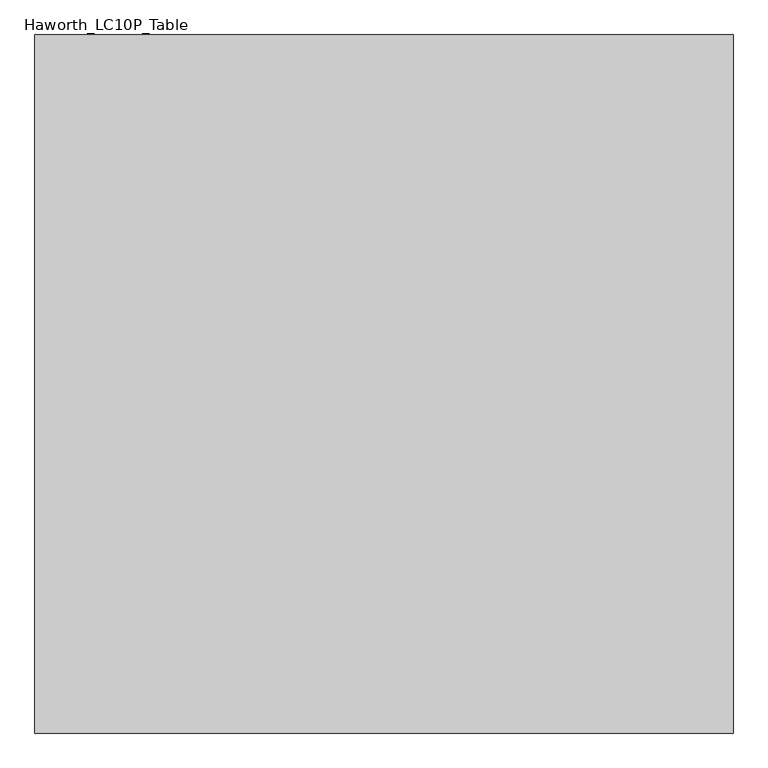
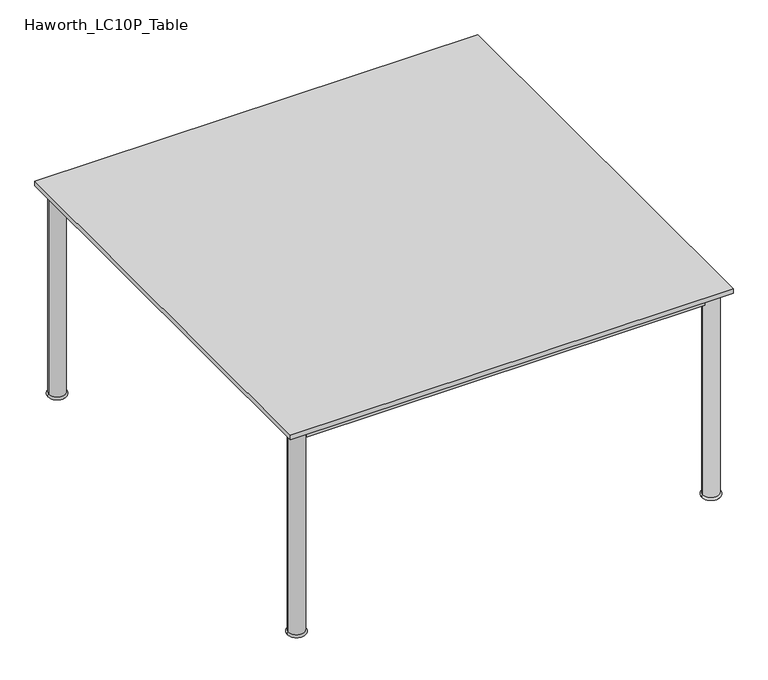
"""IFC4 building model written with IfcOpenShell, lengths in millimetres: furniture geometry, Haworth_LC10P_Table."""

from ifc_helpers import new_model, si_unit, point, frame, origin, place, context, project, spatial, polyline, circle_curve, ellipse_curve, trimmed, outline, extrude, source, transform, mapped, element, save
from ifc_brep_helpers import plane_surface, cylinder_surface, revolved_surface, advanced_brep


def haworth_lc10p_table_8cb492dd(model_context):
    return source(origin(), model_context, "Body", "SolidModel", [
        extrude(outline(polyline([(628.65, -648.5549408), (628.65, -667.6049408), (-628.65, -667.6049408), (-628.65, -648.5549408), (628.65, -648.5549408)])), frame((0.0, 0.0, 646.1125), z_axis=(0.0, 0.0, 1.0), x_axis=(1.0, 0.0, 0.0)), (0.0, 0.0, 1.0), 33.3375),
        extrude(outline(polyline([(628.65, 659.5450592), (628.65, 640.4950592), (-628.65, 640.4950592), (-628.65, 659.5450592), (628.65, 659.5450592)])), frame((0.0, 0.0, 646.1125), z_axis=(0.0, 0.0, 1.0), x_axis=(1.0, 0.0, 0.0)), (0.0, 0.0, 1.0), 33.3375),
        extrude(outline(polyline([(-644.525, 624.6200592), (-644.525, -632.6799408), (-663.575, -632.6799408), (-663.575, 624.6200592), (-644.525, 624.6200592)])), frame((0.0, 0.0, 646.1125), z_axis=(0.0, 0.0, 1.0), x_axis=(1.0, 0.0, 0.0)), (0.0, 0.0, 1.0), 33.3375),
        extrude(outline(polyline([(663.575, 624.6200592), (663.575, -632.6799408), (644.525, -632.6799408), (644.525, 624.6200592), (663.575, 624.6200592)])), frame((0.0, 0.0, 646.1125), z_axis=(0.0, 0.0, 1.0), x_axis=(1.0, 0.0, 0.0)), (0.0, 0.0, 1.0), 33.3375),
        advanced_brep(
        [(628.65, 650.0200592, 0.0), (679.45, 650.0200592, 0.0), (679.45, 650.0200592, 7.9375), (628.65, 650.0200592, 7.9375), (679.45, 650.0200592, 679.45), (628.65, 650.0200592, 679.45), (679.45, 650.0200592, 684.2125), (628.65, 650.0200592, 684.2125), (654.05, 650.0200592, 684.2125), (654.05, 650.0200592, 0.0)],
        [
            (0, 1, circle_curve(frame((654.05, 650.0200592, 0.0), z_axis=(0.0, 0.0, 1.0), x_axis=(1.0, 0.0, 0.0)), 25.4)),
            (1, 2, circle_curve(frame((679.45, 650.0200592, 3.96875), z_axis=(0.0, -1.0, 0.0), x_axis=(-1.0, 0.0, 0.0)), 3.96875)),
            (2, 3, circle_curve(frame((654.05, 650.0200592, 7.9375), z_axis=(0.0, 0.0, -1.0), x_axis=(1.0, 0.0, 0.0)), 25.4)),
            (3, 0, circle_curve(frame((628.65, 650.0200592, 3.96875), z_axis=(0.0, -1.0, 0.0), x_axis=(1.0, 0.0, 0.0)), 3.96875)),
            (1, 0, circle_curve(frame((654.05, 650.0200592, 0.0), z_axis=(0.0, 0.0, 1.0), x_axis=(1.0, 0.0, 0.0)), 25.4)),
            (3, 2, circle_curve(frame((654.05, 650.0200592, 7.9375), z_axis=(0.0, 0.0, -1.0), x_axis=(1.0, 0.0, 0.0)), 25.4)),
            (2, 4),
            (4, 5, circle_curve(frame((654.05, 650.0200592, 679.45), z_axis=(0.0, 0.0, -1.0), x_axis=(1.0, 0.0, 0.0)), 25.4)),
            (5, 3),
            (5, 4, circle_curve(frame((654.05, 650.0200592, 679.45), z_axis=(0.0, 0.0, -1.0), x_axis=(1.0, 0.0, 0.0)), 25.4)),
            (4, 6),
            (6, 7, circle_curve(frame((654.05, 650.0200592, 684.2125), z_axis=(0.0, 0.0, -1.0), x_axis=(1.0, 0.0, 0.0)), 25.4)),
            (7, 5),
            (7, 6, circle_curve(frame((654.05, 650.0200592, 684.2125), z_axis=(0.0, 0.0, -1.0), x_axis=(1.0, 0.0, 0.0)), 25.4)),
            (6, 8),
            (8, 7),
            (9, 1),
            (0, 9),
        ],
        [
            revolved_surface(trimmed(ellipse_curve(frame((679.45, 650.0200592, 3.96875), z_axis=(0.0, 1.0, 0.0), x_axis=(-1.0, 0.0, 0.0)), 3.96875, 3.96875), [point((679.45, 650.0200592, 7.9375))], [point((679.45, 650.0200592, 0.0))], True, "CARTESIAN"), (654.05, 650.0200592, 2438.4), (0.0, 0.0, -1.0)),
            cylinder_surface(frame((654.05, 650.0200592, 2438.4), z_axis=(0.0, 0.0, -1.0), x_axis=(1.0, 0.0, 0.0)), 25.4),
            plane_surface(frame((654.05, 650.0200592, 684.2125), z_axis=(0.0, 0.0, 1.0), x_axis=(1.0, 0.0, 0.0))),
            plane_surface(frame((654.05, 650.0200592, 0.0), z_axis=(0.0, 0.0, -1.0), x_axis=(1.0, 0.0, 0.0))),
        ],
        [
            (0, [[1, 2, 3, 4]]),
            (0, [[5, -4, 6, -2]]),
            (1, [[-3, 7, 8, 9]]),
            (1, [[-6, -9, 10, -7]]),
            (1, [[-8, 11, 12, 13]]),
            (1, [[-10, -13, 14, -11]]),
            (2, [[-12, 15, 16]]),
            (2, [[-14, -16, -15]]),
            (3, [[17, -1, 18]]),
            (3, [[-18, -5, -17]]),
        ],
    ),
        advanced_brep(
        [(-628.65, 650.0200592, 7.9375), (-679.45, 650.0200592, 7.9375), (-679.45, 650.0200592, 0.0), (-628.65, 650.0200592, 0.0), (-628.65, 650.0200592, 679.45), (-679.45, 650.0200592, 679.45), (-628.65, 650.0200592, 684.2125), (-679.45, 650.0200592, 684.2125), (-654.05, 650.0200592, 684.2125), (-654.05, 650.0200592, 0.0)],
        [
            (0, 1, circle_curve(frame((-654.05, 650.0200592, 7.9375), z_axis=(0.0, 0.0, -1.0), x_axis=(-1.0, 0.0, 0.0)), 25.4)),
            (1, 2, circle_curve(frame((-679.45, 650.0200592, 3.96875), z_axis=(0.0, -1.0, 0.0), x_axis=(-1.0, 0.0, 0.0)), 3.96875)),
            (2, 3, circle_curve(frame((-654.05, 650.0200592, 0.0), z_axis=(0.0, 0.0, 1.0), x_axis=(-1.0, 0.0, 0.0)), 25.4)),
            (3, 0, circle_curve(frame((-628.65, 650.0200592, 3.96875), z_axis=(0.0, -1.0, 0.0), x_axis=(1.0, 0.0, 0.0)), 3.96875)),
            (1, 0, circle_curve(frame((-654.05, 650.0200592, 7.9375), z_axis=(0.0, 0.0, -1.0), x_axis=(-1.0, 0.0, 0.0)), 25.4)),
            (3, 2, circle_curve(frame((-654.05, 650.0200592, 0.0), z_axis=(0.0, 0.0, 1.0), x_axis=(-1.0, 0.0, 0.0)), 25.4)),
            (4, 5, circle_curve(frame((-654.05, 650.0200592, 679.45), z_axis=(0.0, 0.0, -1.0), x_axis=(-1.0, 0.0, 0.0)), 25.4)),
            (5, 1),
            (0, 4),
            (5, 4, circle_curve(frame((-654.05, 650.0200592, 679.45), z_axis=(0.0, 0.0, -1.0), x_axis=(-1.0, 0.0, 0.0)), 25.4)),
            (6, 7, circle_curve(frame((-654.05, 650.0200592, 684.2125), z_axis=(0.0, 0.0, -1.0), x_axis=(-1.0, 0.0, 0.0)), 25.4)),
            (7, 5),
            (4, 6),
            (7, 6, circle_curve(frame((-654.05, 650.0200592, 684.2125), z_axis=(0.0, 0.0, -1.0), x_axis=(-1.0, 0.0, 0.0)), 25.4)),
            (8, 7),
            (6, 8),
            (2, 9),
            (9, 3),
        ],
        [
            revolved_surface(trimmed(ellipse_curve(frame((-679.45, 650.0200592, 3.96875), z_axis=(0.0, 1.0, 0.0), x_axis=(-1.0, 0.0, 0.0)), 3.96875, 3.96875), [point((-679.45, 650.0200592, 0.0))], [point((-679.45, 650.0200592, 7.9375))], True, "CARTESIAN"), (-654.05, 650.0200592, 2438.4), (0.0, 0.0, 1.0)),
            cylinder_surface(frame((-654.05, 650.0200592, 2438.4), z_axis=(0.0, 0.0, 1.0), x_axis=(-1.0, 0.0, 0.0)), 25.4),
            plane_surface(frame((-654.05, 650.0200592, 684.2125), z_axis=(0.0, 0.0, 1.0), x_axis=(-1.0, 0.0, 0.0))),
            plane_surface(frame((-654.05, 650.0200592, 0.0), z_axis=(0.0, 0.0, -1.0), x_axis=(-1.0, 0.0, 0.0))),
        ],
        [
            (0, [[1, 2, 3, 4]]),
            (0, [[5, -4, 6, -2]]),
            (1, [[7, 8, -1, 9]]),
            (1, [[10, -9, -5, -8]]),
            (1, [[11, 12, -7, 13]]),
            (1, [[14, -13, -10, -12]]),
            (2, [[15, -11, 16]]),
            (2, [[-16, -14, -15]]),
            (3, [[-3, 17, 18]]),
            (3, [[-6, -18, -17]]),
        ],
    ),
        advanced_brep(
        [(628.3957141, -658.0799408, 0.0), (679.7042859, -658.0799408, 0.0), (679.45, -658.0799408, 7.9293453), (628.65, -658.0799408, 7.9293453), (679.45, -658.0799408, 679.45), (628.65, -658.0799408, 679.45), (679.45, -658.0799408, 684.2125), (628.65, -658.0799408, 684.2125), (654.05, -658.0799408, 684.2125), (654.05, -658.0799408, 0.0)],
        [
            (0, 1, circle_curve(frame((654.05, -658.0799408, 0.0), z_axis=(0.0, 0.0, 1.0), x_axis=(1.0, 0.0, 0.0)), 25.6542859)),
            (1, 2, circle_curve(frame((679.7042859, -658.0799408, 3.96875), z_axis=(0.0, -1.0, 0.0), x_axis=(1.0, 0.0, 0.0)), 3.96875)),
            (2, 3, circle_curve(frame((654.05, -658.0799408, 7.9293453), z_axis=(0.0, 0.0, -1.0), x_axis=(1.0, 0.0, 0.0)), 25.4)),
            (3, 0, circle_curve(frame((628.3957141, -658.0799408, 3.96875), z_axis=(0.0, -1.0, 0.0), x_axis=(-1.0, 0.0, 0.0)), 3.96875)),
            (1, 0, circle_curve(frame((654.05, -658.0799408, 0.0), z_axis=(0.0, 0.0, 1.0), x_axis=(1.0, 0.0, 0.0)), 25.6542859)),
            (3, 2, circle_curve(frame((654.05, -658.0799408, 7.9293453), z_axis=(0.0, 0.0, -1.0), x_axis=(1.0, 0.0, 0.0)), 25.4)),
            (2, 4),
            (4, 5, circle_curve(frame((654.05, -658.0799408, 679.45), z_axis=(0.0, 0.0, -1.0), x_axis=(1.0, 0.0, 0.0)), 25.4)),
            (5, 3),
            (5, 4, circle_curve(frame((654.05, -658.0799408, 679.45), z_axis=(0.0, 0.0, -1.0), x_axis=(1.0, 0.0, 0.0)), 25.4)),
            (4, 6),
            (6, 7, circle_curve(frame((654.05, -658.0799408, 684.2125), z_axis=(0.0, 0.0, -1.0), x_axis=(1.0, 0.0, 0.0)), 25.4)),
            (7, 5),
            (7, 6, circle_curve(frame((654.05, -658.0799408, 684.2125), z_axis=(0.0, 0.0, -1.0), x_axis=(1.0, 0.0, 0.0)), 25.4)),
            (6, 8),
            (8, 7),
            (9, 1),
            (0, 9),
        ],
        [
            revolved_surface(trimmed(ellipse_curve(frame((679.7042859, -658.0799408, 3.96875), z_axis=(0.0, 1.0, 0.0), x_axis=(1.0, 0.0, 0.0)), 3.96875, 3.96875), [point((679.45, -658.0799408, 7.9293453))], [point((679.7042859, -658.0799408, 0.0))], True, "CARTESIAN"), (654.05, -658.0799408, 2438.4), (0.0, 0.0, -1.0)),
            cylinder_surface(frame((654.05, -658.0799408, 2438.4), z_axis=(0.0, 0.0, -1.0), x_axis=(1.0, 0.0, 0.0)), 25.4),
            plane_surface(frame((654.05, -658.0799408, 684.2125), z_axis=(0.0, 0.0, 1.0), x_axis=(1.0, 0.0, 0.0))),
            plane_surface(frame((654.05, -658.0799408, 0.0), z_axis=(0.0, 0.0, -1.0), x_axis=(1.0, 0.0, 0.0))),
        ],
        [
            (0, [[1, 2, 3, 4]]),
            (0, [[5, -4, 6, -2]]),
            (1, [[-3, 7, 8, 9]]),
            (1, [[-6, -9, 10, -7]]),
            (1, [[-8, 11, 12, 13]]),
            (1, [[-10, -13, 14, -11]]),
            (2, [[-12, 15, 16]]),
            (2, [[-14, -16, -15]]),
            (3, [[17, -1, 18]]),
            (3, [[-18, -5, -17]]),
        ],
    ),
        advanced_brep(
        [(-628.65, -658.0799408, 7.9375), (-679.45, -658.0799408, 7.9375), (-679.45, -658.0799408, 0.0), (-628.65, -658.0799408, 0.0), (-628.65, -658.0799408, 679.45), (-679.45, -658.0799408, 679.45), (-628.65, -658.0799408, 684.2125), (-679.45, -658.0799408, 684.2125), (-654.05, -658.0799408, 684.2125), (-654.05, -658.0799408, 0.0)],
        [
            (0, 1, circle_curve(frame((-654.05, -658.0799408, 7.9375), z_axis=(0.0, 0.0, -1.0), x_axis=(-1.0, 0.0, 0.0)), 25.4)),
            (1, 2, circle_curve(frame((-679.45, -658.0799408, 3.96875), z_axis=(0.0, -1.0, 0.0), x_axis=(-1.0, 0.0, 0.0)), 3.96875)),
            (2, 3, circle_curve(frame((-654.05, -658.0799408, 0.0), z_axis=(0.0, 0.0, 1.0), x_axis=(-1.0, 0.0, 0.0)), 25.4)),
            (3, 0, circle_curve(frame((-628.65, -658.0799408, 3.96875), z_axis=(0.0, -1.0, 0.0), x_axis=(1.0, 0.0, 0.0)), 3.96875)),
            (1, 0, circle_curve(frame((-654.05, -658.0799408, 7.9375), z_axis=(0.0, 0.0, -1.0), x_axis=(-1.0, 0.0, 0.0)), 25.4)),
            (3, 2, circle_curve(frame((-654.05, -658.0799408, 0.0), z_axis=(0.0, 0.0, 1.0), x_axis=(-1.0, 0.0, 0.0)), 25.4)),
            (4, 5, circle_curve(frame((-654.05, -658.0799408, 679.45), z_axis=(0.0, 0.0, -1.0), x_axis=(-1.0, 0.0, 0.0)), 25.4)),
            (5, 1),
            (0, 4),
            (5, 4, circle_curve(frame((-654.05, -658.0799408, 679.45), z_axis=(0.0, 0.0, -1.0), x_axis=(-1.0, 0.0, 0.0)), 25.4)),
            (6, 7, circle_curve(frame((-654.05, -658.0799408, 684.2125), z_axis=(0.0, 0.0, -1.0), x_axis=(-1.0, 0.0, 0.0)), 25.4)),
            (7, 5),
            (4, 6),
            (7, 6, circle_curve(frame((-654.05, -658.0799408, 684.2125), z_axis=(0.0, 0.0, -1.0), x_axis=(-1.0, 0.0, 0.0)), 25.4)),
            (8, 7),
            (6, 8),
            (2, 9),
            (9, 3),
        ],
        [
            revolved_surface(trimmed(ellipse_curve(frame((-679.45, -658.0799408, 3.96875), z_axis=(0.0, 1.0, 0.0), x_axis=(-1.0, 0.0, 0.0)), 3.96875, 3.96875), [point((-679.45, -658.0799408, 0.0))], [point((-679.45, -658.0799408, 7.9375))], True, "CARTESIAN"), (-654.05, -658.0799408, 2438.4), (0.0, 0.0, 1.0)),
            cylinder_surface(frame((-654.05, -658.0799408, 2438.4), z_axis=(0.0, 0.0, 1.0), x_axis=(-1.0, 0.0, 0.0)), 25.4),
            plane_surface(frame((-654.05, -658.0799408, 684.2125), z_axis=(0.0, 0.0, 1.0), x_axis=(-1.0, 0.0, 0.0))),
            plane_surface(frame((-654.05, -658.0799408, 0.0), z_axis=(0.0, 0.0, -1.0), x_axis=(-1.0, 0.0, 0.0))),
        ],
        [
            (0, [[1, 2, 3, 4]]),
            (0, [[5, -4, 6, -2]]),
            (1, [[7, 8, -1, 9]]),
            (1, [[10, -9, -5, -8]]),
            (1, [[11, 12, -7, 13]]),
            (1, [[14, -13, -10, -12]]),
            (2, [[15, -11, 16]]),
            (2, [[-16, -14, -15]]),
            (3, [[-3, 17, 18]]),
            (3, [[-6, -18, -17]]),
        ],
    ),
        extrude(outline(polyline([(698.5, 694.4700592), (698.5, -702.5299408), (-698.5, -702.5299408), (-698.5, 694.4700592), (698.5, 694.4700592)])), frame((0.0, 0.0, 684.2125), z_axis=(0.0, 0.0, 1.0), x_axis=(1.0, 0.0, 0.0)), (0.0, 0.0, 1.0), 14.2875),
    ])


if __name__ == "__main__":
    model = new_model("IFC4")
    model_context = context("Model", 3, world=origin())
    ifc_project = project(units=[si_unit("LENGTHUNIT", "METRE", prefix="MILLI")], contexts=[model_context])
    site = spatial("IfcSite", under=ifc_project)
    building = spatial("IfcBuilding", under=site)
    placement = place(None, origin())
    haworth_lc10p_table_shape = haworth_lc10p_table_8cb492dd(model_context)
    element("IfcFurniture", 1, ObjectType="Haworth_LC10P_Table", at=placement, inside=building, context=model_context, shape_type="MappedRepresentation", body=[
        mapped(haworth_lc10p_table_shape, transform((0.0, 0.0, 0.0), x_axis=(1.0, 0.0, 0.0), y_axis=(0.0, 1.0, 0.0), z_axis=(0.0, 0.0, 1.0))),
    ])
    save(model, "model.ifc")
